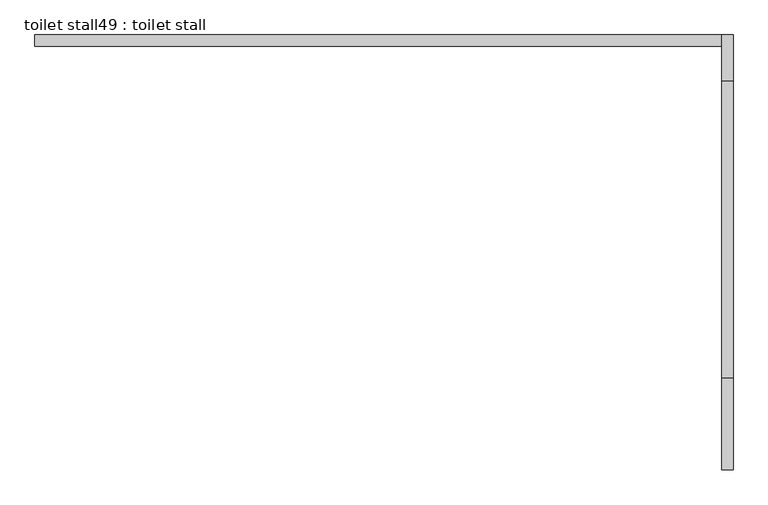
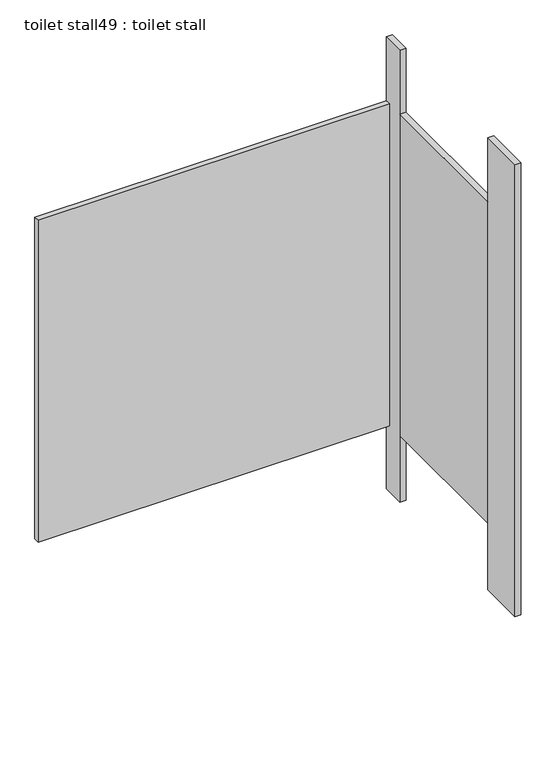
"""IFC4 building model written with IfcOpenShell, lengths in millimetres: proxy geometry, toilet stall49 : toilet stall."""

import ifcopenshell
import ifcopenshell.guid

model = None  # the IFC model being written
_history = None  # IfcOwnerHistory: only IFC2X3 demands one
_inside = {}  # id of a spatial element -> (the spatial element, [elements in it])
_under = {}  # id of a project, library or spatial element -> (it, [spatial elements below it])
_declared = {}  # id of a project -> (the project, [libraries it declares])
_typed = {}  # id of a type object -> (the type object, [elements of that type])
_made_of = {}  # id of a material, layer set ... -> (it, [elements and type objects made of it])


def new_model(schema):
    """Start an empty IFC model of exactly this schema.

    Asked for "IFC4X3", IfcOpenShell would pick the latest addendum, in which some entities
    have other attributes; the version numbers below select the first issue.
    IFC2X3 requires an IfcOwnerHistory on every rooted entity: one is made here for all.
    """
    global model, _history
    if schema == "IFC4X3":
        model = ifcopenshell.file(schema_version=(4, 3, 0, 0))
    else:
        model = ifcopenshell.file(schema=schema)
    _inside.clear()
    _under.clear()
    _declared.clear()
    _typed.clear()
    _made_of.clear()
    _history = None
    if model.schema == "IFC2X3":
        org = make("IfcOrganization", Name="unknown")
        user = make(
            "IfcPersonAndOrganization",
            ThePerson=make("IfcPerson", FamilyName="unknown"),
            TheOrganization=org,
        )
        app = make(
            "IfcApplication",
            ApplicationDeveloper=org,
            Version="unknown",
            ApplicationFullName="unknown",
            ApplicationIdentifier="unknown",
        )
        _history = make(
            "IfcOwnerHistory",
            OwningUser=user,
            OwningApplication=app,
            ChangeAction="ADDED",
            CreationDate=0,
        )
    return model


def make(cls, **values):
    """One entity of the class cls with the attributes given. An attribute that is None is left unset."""
    return model.create_entity(
        cls, **{name: value for name, value in values.items() if value is not None}
    )


def rooted(cls, **values):
    """An entity with a GlobalId (a new one), such as an element, a storey or a relation."""
    return make(cls, GlobalId=ifcopenshell.guid.new(), OwnerHistory=_history, **values)


def si_unit(unit_type, name, prefix=None):
    """IfcSIUnit, for example si_unit("LENGTHUNIT", "METRE", prefix="MILLI")."""
    return make("IfcSIUnit", UnitType=unit_type, Prefix=prefix, Name=name)


def assignment(units):
    """IfcUnitAssignment: the units of a project."""
    return None if units is None else make("IfcUnitAssignment", Units=units)


def point(xyz):
    """IfcCartesianPoint."""
    return None if xyz is None else make("IfcCartesianPoint", Coordinates=xyz)


def direction(xyz):
    """IfcDirection."""
    return None if xyz is None else make("IfcDirection", DirectionRatios=xyz)


def frame(location, z_axis=None, x_axis=None):
    """IfcAxis2Placement3D, a coordinate frame: its origin and axes. An axis left out is left unset."""
    return make(
        "IfcAxis2Placement3D",
        Location=point(location),
        Axis=direction(z_axis),
        RefDirection=direction(x_axis),
    )


def origin():
    """The frame at (0, 0, 0) with its axes left unset."""
    return frame((0.0, 0.0, 0.0))


def origin_with_axes():
    """The frame at (0, 0, 0) with the z axis (0, 0, 1) and the x axis (1, 0, 0) written out."""
    return frame((0.0, 0.0, 0.0), z_axis=(0.0, 0.0, 1.0), x_axis=(1.0, 0.0, 0.0))


def place(relative_to, where):
    """IfcLocalPlacement: puts the frame where relative to a parent placement (None: the world)."""
    return make(
        "IfcLocalPlacement", PlacementRelTo=relative_to, RelativePlacement=where
    )


def context(
    kind, dimensions, precision=None, world=None, true_north=None, identifier=None
):
    """IfcGeometricRepresentationContext, for example the 3D "Model" context."""
    return make(
        "IfcGeometricRepresentationContext",
        ContextIdentifier=identifier,
        ContextType=kind,
        CoordinateSpaceDimension=dimensions,
        Precision=precision,
        WorldCoordinateSystem=world,
        TrueNorth=true_north,
    )


def project(units=None, contexts=None):
    """IfcProject with its units and contexts."""
    return rooted(
        "IfcProject",
        Name="project",
        RepresentationContexts=contexts,
        UnitsInContext=assignment(units),
    )


def spatial(cls, under=None, at=None, **own):
    """A site, building, storey or space (cls), placed at a placement, below another one or the project."""
    s = rooted(cls, ObjectPlacement=at, **own)
    if under is not None:
        _under.setdefault(under.id(), (under, []))[1].append(s)
    return s


def polyline(points):
    """IfcPolyline through the points."""
    return make("IfcPolyline", Points=[point(p) for p in points])


def outline(outer, holes=None, kind="AREA"):
    """IfcArbitraryClosedProfileDef: a profile drawn as a closed curve; with holes, ...WithVoids."""
    if holes is None:
        return make("IfcArbitraryClosedProfileDef", ProfileType=kind, OuterCurve=outer)
    return make(
        "IfcArbitraryProfileDefWithVoids",
        ProfileType=kind,
        OuterCurve=outer,
        InnerCurves=holes,
    )


def extrude(swept, where, along, depth):
    """IfcExtrudedAreaSolid: the profile swept, set in the frame where, extruded along a direction by depth."""
    return make(
        "IfcExtrudedAreaSolid",
        SweptArea=swept,
        Position=where,
        ExtrudedDirection=direction(along),
        Depth=depth,
    )


def shape(context_of_items, identifier, shape_type, items):
    """IfcShapeRepresentation: the items that make up one representation, for example the "Body"."""
    return make(
        "IfcShapeRepresentation",
        ContextOfItems=context_of_items,
        RepresentationIdentifier=identifier,
        RepresentationType=shape_type,
        Items=items,
    )


def source(mapping_origin, context_of_items, identifier, shape_type, items):
    """IfcRepresentationMap: a shape defined once, which mapped items show again and again."""
    return make(
        "IfcRepresentationMap",
        MappingOrigin=mapping_origin,
        MappedRepresentation=shape(context_of_items, identifier, shape_type, items),
    )


def transform(
    local_origin,
    x_axis=None,
    y_axis=None,
    z_axis=None,
    scale=None,
    scale2=None,
    scale3=None,
    uniform=True,
):
    """IfcCartesianTransformationOperator3D, or its non-uniform kind. x_axis, y_axis, z_axis: its Axis1, 2, 3."""
    if uniform:
        return make(
            "IfcCartesianTransformationOperator3D",
            Axis1=direction(x_axis),
            Axis2=direction(y_axis),
            LocalOrigin=point(local_origin),
            Scale=scale,
            Axis3=direction(z_axis),
        )
    return make(
        "IfcCartesianTransformationOperator3DnonUniform",
        Axis1=direction(x_axis),
        Axis2=direction(y_axis),
        LocalOrigin=point(local_origin),
        Scale=scale,
        Axis3=direction(z_axis),
        Scale2=scale2,
        Scale3=scale3,
    )


def mapped(mapping_source, mapping_target):
    """IfcMappedItem: shows the shape of a source again, moved by a transform."""
    return make(
        "IfcMappedItem", MappingSource=mapping_source, MappingTarget=mapping_target
    )


def made_of(thing, what):
    """Note that an element or type object is made of a material, layer set ...; save() writes the relation."""
    if what is not None:
        _made_of.setdefault(what.id(), (what, []))[1].append(thing)
    return thing


def element(
    cls,
    number,
    at=None,
    inside=None,
    cuts=None,
    type_object=None,
    material=None,
    context=None,
    identifier="Body",
    shape_type=None,
    held_by="IfcProductDefinitionShape",
    body=None,
    shapes=None,
    **own,
):
    """One element of the class cls, such as IfcWall. Its Tag is "e" and its number.

    at: its placement. inside: the storey or other place that contains it. cuts: it is an
    opening in that element (IfcRelVoidsElement). A single representation is given by context,
    identifier, shape_type and body (its items); several are given by shapes. held_by: the class
    of the entity that holds the representations. save() writes the other relations.
    """
    e = rooted(cls, Tag="e%d" % number, ObjectPlacement=at, **own)
    if body is not None:
        shapes = [shape(context, identifier, shape_type, body)]
    if shapes is not None:
        e.Representation = make(held_by, Representations=shapes)
    if inside is not None:
        _inside.setdefault(inside.id(), (inside, []))[1].append(e)
    if cuts is not None:
        rooted(
            "IfcRelVoidsElement", RelatingBuildingElement=cuts, RelatedOpeningElement=e
        )
    if type_object is not None:
        _typed.setdefault(type_object.id(), (type_object, []))[1].append(e)
    return made_of(e, material)


def aggregate(whole, parts):
    """IfcRelAggregates: a whole, such as a stair, and the parts it consists of."""
    return rooted("IfcRelAggregates", RelatingObject=whole, RelatedObjects=parts)


def save(model, path):
    """Write the relations noted so far, then the file.

    IfcRelAggregates (storeys below a building ...), IfcRelContainedInSpatialStructure (elements
    in a storey), IfcRelDefinesByType, IfcRelAssociatesMaterial and IfcRelDeclares: one each for
    every whole, place, type object, material and project.
    """
    for whole, parts in _under.values():
        aggregate(whole, parts)
    for where, things in _inside.values():
        rooted(
            "IfcRelContainedInSpatialStructure",
            RelatedElements=things,
            RelatingStructure=where,
        )
    for kind, things in _typed.values():
        rooted("IfcRelDefinesByType", RelatedObjects=things, RelatingType=kind)
    for what, things in _made_of.values():
        rooted("IfcRelAssociatesMaterial", RelatedObjects=things, RelatingMaterial=what)
    for by, libraries in _declared.values():
        rooted("IfcRelDeclares", RelatingContext=by, RelatedDefinitions=libraries)
    model.write(path)


def toilet_stall49_toilet_stall_3734e0a9(model_context):
    return source(origin(), model_context, "Body", "SweptSolid", [
        extrude(outline(polyline([(461357.4504676, -271881.4233948), (461382.8504676, -271881.4233948), (461382.8504676, -272084.6233948), (461357.4504676, -272084.6233948), (461357.4504676, -271881.4233948)])), origin_with_axes(), (0.0, 0.0, 1.0), 2070.1),
        extrude(outline(polyline([(461357.4504676, -271119.4233948), (461382.8504676, -271119.4233948), (461382.8504676, -271221.0233948), (461357.4504676, -271221.0233948), (461357.4504676, -271119.4233948)])), origin_with_axes(), (0.0, 0.0, 1.0), 2070.1),
        extrude(outline(polyline([(461357.4504676, -271119.4233948), (461357.4504676, -271144.8233948), (459833.4504676, -271144.8233948), (459833.4504676, -271119.4233948), (461357.4504676, -271119.4233948)])), frame((0.0, 0.0, 304.8), z_axis=(0.0, 0.0, 1.0), x_axis=(1.0, 0.0, 0.0)), (0.0, 0.0, 1.0), 1473.2),
        extrude(outline(polyline([(461357.4504676, -271221.0233948), (461382.8504676, -271221.0233948), (461382.8504676, -271881.4233948), (461357.4504676, -271881.4233948), (461357.4504676, -271221.0233948)])), frame((0.0, 0.0, 304.8), z_axis=(0.0, 0.0, 1.0), x_axis=(1.0, 0.0, 0.0)), (0.0, 0.0, 1.0), 1473.2),
    ])


if __name__ == "__main__":
    model = new_model("IFC4")
    model_context = context("Model", 3, world=origin())
    ifc_project = project(units=[si_unit("LENGTHUNIT", "METRE", prefix="MILLI")], contexts=[model_context])
    site = spatial("IfcSite", under=ifc_project)
    building = spatial("IfcBuilding", under=site)
    placement = place(None, origin())
    toilet_stall49_toilet_stall_shape = toilet_stall49_toilet_stall_3734e0a9(model_context)
    element("IfcBuildingElementProxy", 1, Name="toilet stall49 : toilet stall", ObjectType="toilet stall49 : toilet stall", at=placement, inside=building, context=model_context, shape_type="MappedRepresentation", body=[
        mapped(toilet_stall49_toilet_stall_shape, transform((0.0, 0.0, 0.0), x_axis=(1.0, 0.0, 0.0), y_axis=(0.0, 1.0, 0.0), z_axis=(0.0, 0.0, 1.0))),
    ])
    save(model, "model.ifc")
